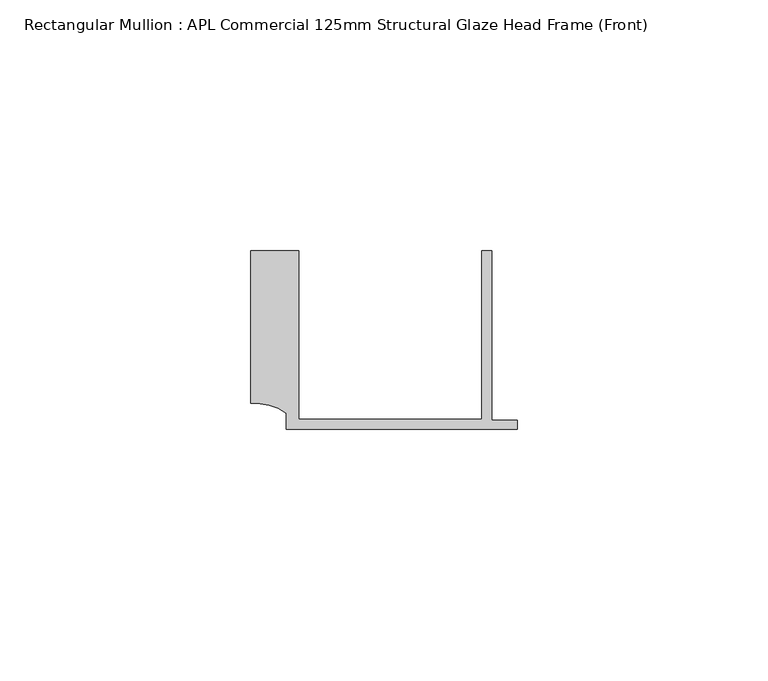
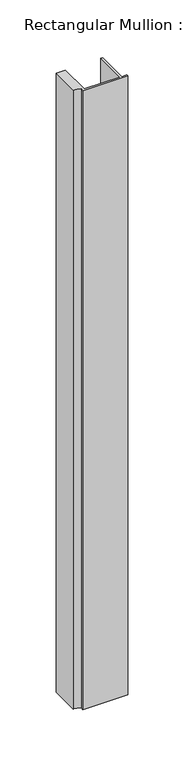
"""IFC4 building model written with IfcOpenShell, lengths in millimetres: member geometry, Rectangular Mullion : APL Commercial 125mm Structural Glaze Head Frame (Front)."""

import ifcopenshell
import ifcopenshell.guid

model = None  # the IFC model being written
_history = None  # IfcOwnerHistory: only IFC2X3 demands one
_inside = {}  # id of a spatial element -> (the spatial element, [elements in it])
_under = {}  # id of a project, library or spatial element -> (it, [spatial elements below it])
_declared = {}  # id of a project -> (the project, [libraries it declares])
_typed = {}  # id of a type object -> (the type object, [elements of that type])
_made_of = {}  # id of a material, layer set ... -> (it, [elements and type objects made of it])


def new_model(schema):
    """Start an empty IFC model of exactly this schema.

    Asked for "IFC4X3", IfcOpenShell would pick the latest addendum, in which some entities
    have other attributes; the version numbers below select the first issue.
    IFC2X3 requires an IfcOwnerHistory on every rooted entity: one is made here for all.
    """
    global model, _history
    if schema == "IFC4X3":
        model = ifcopenshell.file(schema_version=(4, 3, 0, 0))
    else:
        model = ifcopenshell.file(schema=schema)
    _inside.clear()
    _under.clear()
    _declared.clear()
    _typed.clear()
    _made_of.clear()
    _history = None
    if model.schema == "IFC2X3":
        org = make("IfcOrganization", Name="unknown")
        user = make(
            "IfcPersonAndOrganization",
            ThePerson=make("IfcPerson", FamilyName="unknown"),
            TheOrganization=org,
        )
        app = make(
            "IfcApplication",
            ApplicationDeveloper=org,
            Version="unknown",
            ApplicationFullName="unknown",
            ApplicationIdentifier="unknown",
        )
        _history = make(
            "IfcOwnerHistory",
            OwningUser=user,
            OwningApplication=app,
            ChangeAction="ADDED",
            CreationDate=0,
        )
    return model


def make(cls, **values):
    """One entity of the class cls with the attributes given. An attribute that is None is left unset."""
    return model.create_entity(
        cls, **{name: value for name, value in values.items() if value is not None}
    )


def rooted(cls, **values):
    """An entity with a GlobalId (a new one), such as an element, a storey or a relation."""
    return make(cls, GlobalId=ifcopenshell.guid.new(), OwnerHistory=_history, **values)


def si_unit(unit_type, name, prefix=None):
    """IfcSIUnit, for example si_unit("LENGTHUNIT", "METRE", prefix="MILLI")."""
    return make("IfcSIUnit", UnitType=unit_type, Prefix=prefix, Name=name)


def assignment(units):
    """IfcUnitAssignment: the units of a project."""
    return None if units is None else make("IfcUnitAssignment", Units=units)


def point(xyz):
    """IfcCartesianPoint."""
    return None if xyz is None else make("IfcCartesianPoint", Coordinates=xyz)


def direction(xyz):
    """IfcDirection."""
    return None if xyz is None else make("IfcDirection", DirectionRatios=xyz)


def frame(location, z_axis=None, x_axis=None):
    """IfcAxis2Placement3D, a coordinate frame: its origin and axes. An axis left out is left unset."""
    return make(
        "IfcAxis2Placement3D",
        Location=point(location),
        Axis=direction(z_axis),
        RefDirection=direction(x_axis),
    )


def frame_2d(location, x_axis=None):
    """IfcAxis2Placement2D, a coordinate frame in the plane: its origin and x axis."""
    return make(
        "IfcAxis2Placement2D", Location=point(location), RefDirection=direction(x_axis)
    )


def origin():
    """The frame at (0, 0, 0) with its axes left unset."""
    return frame((0.0, 0.0, 0.0))


def place(relative_to, where):
    """IfcLocalPlacement: puts the frame where relative to a parent placement (None: the world)."""
    return make(
        "IfcLocalPlacement", PlacementRelTo=relative_to, RelativePlacement=where
    )


def context(
    kind, dimensions, precision=None, world=None, true_north=None, identifier=None
):
    """IfcGeometricRepresentationContext, for example the 3D "Model" context."""
    return make(
        "IfcGeometricRepresentationContext",
        ContextIdentifier=identifier,
        ContextType=kind,
        CoordinateSpaceDimension=dimensions,
        Precision=precision,
        WorldCoordinateSystem=world,
        TrueNorth=true_north,
    )


def project(units=None, contexts=None):
    """IfcProject with its units and contexts."""
    return rooted(
        "IfcProject",
        Name="project",
        RepresentationContexts=contexts,
        UnitsInContext=assignment(units),
    )


def spatial(cls, under=None, at=None, **own):
    """A site, building, storey or space (cls), placed at a placement, below another one or the project."""
    s = rooted(cls, ObjectPlacement=at, **own)
    if under is not None:
        _under.setdefault(under.id(), (under, []))[1].append(s)
    return s


def polyline(points):
    """IfcPolyline through the points."""
    return make("IfcPolyline", Points=[point(p) for p in points])


def circle_curve(where, radius):
    """IfcCircle in the frame where."""
    return make("IfcCircle", Position=where, Radius=radius)


def trimmed(basis, trim1, trim2, sense, master):
    """IfcTrimmedCurve: the piece of a basis curve between two trims."""
    return make(
        "IfcTrimmedCurve",
        BasisCurve=basis,
        Trim1=trim1,
        Trim2=trim2,
        SenseAgreement=sense,
        MasterRepresentation=master,
    )


def segment(curve, same_sense, transition):
    """IfcCompositeCurveSegment."""
    return make(
        "IfcCompositeCurveSegment",
        Transition=transition,
        SameSense=same_sense,
        ParentCurve=curve,
    )


def composite_curve(segments, self_intersect=None):
    """IfcCompositeCurve: segments joined end to end."""
    return make("IfcCompositeCurve", Segments=segments, SelfIntersect=self_intersect)


def outline(outer, holes=None, kind="AREA"):
    """IfcArbitraryClosedProfileDef: a profile drawn as a closed curve; with holes, ...WithVoids."""
    if holes is None:
        return make("IfcArbitraryClosedProfileDef", ProfileType=kind, OuterCurve=outer)
    return make(
        "IfcArbitraryProfileDefWithVoids",
        ProfileType=kind,
        OuterCurve=outer,
        InnerCurves=holes,
    )


def extrude(swept, where, along, depth):
    """IfcExtrudedAreaSolid: the profile swept, set in the frame where, extruded along a direction by depth."""
    return make(
        "IfcExtrudedAreaSolid",
        SweptArea=swept,
        Position=where,
        ExtrudedDirection=direction(along),
        Depth=depth,
    )


def shape(context_of_items, identifier, shape_type, items):
    """IfcShapeRepresentation: the items that make up one representation, for example the "Body"."""
    return make(
        "IfcShapeRepresentation",
        ContextOfItems=context_of_items,
        RepresentationIdentifier=identifier,
        RepresentationType=shape_type,
        Items=items,
    )


def source(mapping_origin, context_of_items, identifier, shape_type, items):
    """IfcRepresentationMap: a shape defined once, which mapped items show again and again."""
    return make(
        "IfcRepresentationMap",
        MappingOrigin=mapping_origin,
        MappedRepresentation=shape(context_of_items, identifier, shape_type, items),
    )


def transform(
    local_origin,
    x_axis=None,
    y_axis=None,
    z_axis=None,
    scale=None,
    scale2=None,
    scale3=None,
    uniform=True,
):
    """IfcCartesianTransformationOperator3D, or its non-uniform kind. x_axis, y_axis, z_axis: its Axis1, 2, 3."""
    if uniform:
        return make(
            "IfcCartesianTransformationOperator3D",
            Axis1=direction(x_axis),
            Axis2=direction(y_axis),
            LocalOrigin=point(local_origin),
            Scale=scale,
            Axis3=direction(z_axis),
        )
    return make(
        "IfcCartesianTransformationOperator3DnonUniform",
        Axis1=direction(x_axis),
        Axis2=direction(y_axis),
        LocalOrigin=point(local_origin),
        Scale=scale,
        Axis3=direction(z_axis),
        Scale2=scale2,
        Scale3=scale3,
    )


def mapped(mapping_source, mapping_target):
    """IfcMappedItem: shows the shape of a source again, moved by a transform."""
    return make(
        "IfcMappedItem", MappingSource=mapping_source, MappingTarget=mapping_target
    )


def made_of(thing, what):
    """Note that an element or type object is made of a material, layer set ...; save() writes the relation."""
    if what is not None:
        _made_of.setdefault(what.id(), (what, []))[1].append(thing)
    return thing


def element(
    cls,
    number,
    at=None,
    inside=None,
    cuts=None,
    type_object=None,
    material=None,
    context=None,
    identifier="Body",
    shape_type=None,
    held_by="IfcProductDefinitionShape",
    body=None,
    shapes=None,
    **own,
):
    """One element of the class cls, such as IfcWall. Its Tag is "e" and its number.

    at: its placement. inside: the storey or other place that contains it. cuts: it is an
    opening in that element (IfcRelVoidsElement). A single representation is given by context,
    identifier, shape_type and body (its items); several are given by shapes. held_by: the class
    of the entity that holds the representations. save() writes the other relations.
    """
    e = rooted(cls, Tag="e%d" % number, ObjectPlacement=at, **own)
    if body is not None:
        shapes = [shape(context, identifier, shape_type, body)]
    if shapes is not None:
        e.Representation = make(held_by, Representations=shapes)
    if inside is not None:
        _inside.setdefault(inside.id(), (inside, []))[1].append(e)
    if cuts is not None:
        rooted(
            "IfcRelVoidsElement", RelatingBuildingElement=cuts, RelatedOpeningElement=e
        )
    if type_object is not None:
        _typed.setdefault(type_object.id(), (type_object, []))[1].append(e)
    return made_of(e, material)


def aggregate(whole, parts):
    """IfcRelAggregates: a whole, such as a stair, and the parts it consists of."""
    return rooted("IfcRelAggregates", RelatingObject=whole, RelatedObjects=parts)


def save(model, path):
    """Write the relations noted so far, then the file.

    IfcRelAggregates (storeys below a building ...), IfcRelContainedInSpatialStructure (elements
    in a storey), IfcRelDefinesByType, IfcRelAssociatesMaterial and IfcRelDeclares: one each for
    every whole, place, type object, material and project.
    """
    for whole, parts in _under.values():
        aggregate(whole, parts)
    for where, things in _inside.values():
        rooted(
            "IfcRelContainedInSpatialStructure",
            RelatedElements=things,
            RelatingStructure=where,
        )
    for kind, things in _typed.values():
        rooted("IfcRelDefinesByType", RelatedObjects=things, RelatingType=kind)
    for what, things in _made_of.values():
        rooted("IfcRelAssociatesMaterial", RelatedObjects=things, RelatingMaterial=what)
    for by, libraries in _declared.values():
        rooted("IfcRelDeclares", RelatingContext=by, RelatedDefinitions=libraries)
    model.write(path)


def rectangular_mullion_apl_commercial_125mm_structural_glaze_1ea6e278(model_context):
    return source(origin(), model_context, "Body", "SweptSolid", [
        extrude(outline(composite_curve([segment(polyline([(-52.9999542, 15.0), (-43.5000151, 15.0), (-43.5000151, -18.5002486), (-7.0, -18.5002486), (-7.0, 15.0), (-5.0, 15.0), (-5.0, -18.7002486), (0.0, -18.7002486), (0.0, -20.5002486), (-45.9999994, -20.5002486), (-45.9999994, -17.3126154)]), True, "CONTINUOUS"), segment(trimmed(circle_curve(frame_2d((-52.109817, -25.7982641)), 10.4563907), [point((-45.9999994, -17.3126154))], [point((-52.9999542, -15.3798304))], True, "CARTESIAN"), True, "CONTINUOUS"), segment(polyline([(-52.9999542, -15.3798304), (-52.9999542, 15.0)]), True, "CONTINUOUS")], self_intersect=False)), frame((0.0, 0.0, -673.1972908), z_axis=(0.0, 0.0, 1.0), x_axis=(1.0, 0.0, 0.0)), (0.0, 0.0, 1.0), 673.1972908),
    ])


if __name__ == "__main__":
    model = new_model("IFC4")
    model_context = context("Model", 3, world=origin())
    ifc_project = project(units=[si_unit("LENGTHUNIT", "METRE", prefix="MILLI")], contexts=[model_context])
    site = spatial("IfcSite", under=ifc_project)
    building = spatial("IfcBuilding", under=site)
    placement = place(None, origin())
    rectangular_mullion_apl_commercial_125mm_structural_glaze_shape = rectangular_mullion_apl_commercial_125mm_structural_glaze_1ea6e278(model_context)
    element("IfcMember", 1, ObjectType="Rectangular Mullion : APL Commercial 125mm Structural Glaze Head Frame (Front)", at=placement, inside=building, context=model_context, shape_type="MappedRepresentation", body=[
        mapped(rectangular_mullion_apl_commercial_125mm_structural_glaze_shape, transform((0.0, 0.0, 0.0), x_axis=(1.0, 0.0, 0.0), y_axis=(0.0, 1.0, 0.0), z_axis=(0.0, 0.0, 1.0))),
    ])
    save(model, "model.ifc")
